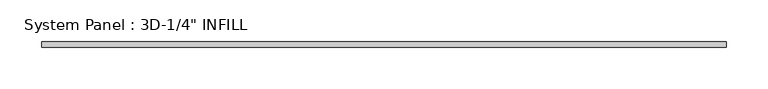
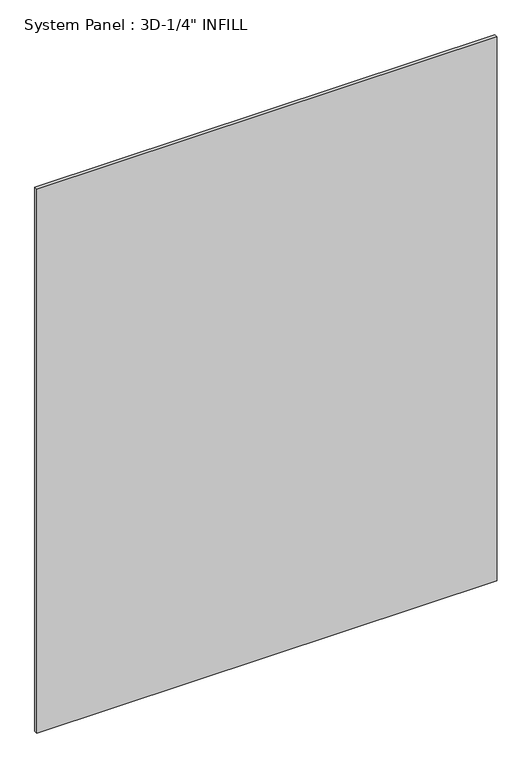
"""IFC4 building model written with IfcOpenShell, lengths in millimetres: plate geometry."""

from ifc_helpers import new_model, si_unit, origin, origin_with_axes, place, context, project, spatial, polyline, outline, extrude, source, transform, mapped, element, save


def plate_107717ef(model_context):
    return source(origin(), model_context, "Body", "SweptSolid", [
        extrude(outline(polyline([(410.2779213, -3.175), (-410.2779213, -3.175), (-410.2779213, 3.175), (410.2779213, 3.175), (410.2779213, -3.175)])), origin_with_axes(), (0.0, 0.0, 1.0), 1024.5416877),
    ])


if __name__ == "__main__":
    model = new_model("IFC4")
    model_context = context("Model", 3, world=origin())
    ifc_project = project(units=[si_unit("LENGTHUNIT", "METRE", prefix="MILLI")], contexts=[model_context])
    site = spatial("IfcSite", under=ifc_project)
    building = spatial("IfcBuilding", under=site)
    placement = place(None, origin())
    plate_shape = plate_107717ef(model_context)
    element("IfcPlate", 1, ObjectType="System Panel : 3D-1/4\" INFILL", at=placement, inside=building, context=model_context, shape_type="MappedRepresentation", body=[
        mapped(plate_shape, transform((0.0, 0.0, 0.0), x_axis=(1.0, 0.0, 0.0), y_axis=(0.0, 1.0, 0.0), z_axis=(0.0, 0.0, 1.0))),
    ])
    save(model, "model.ifc")
